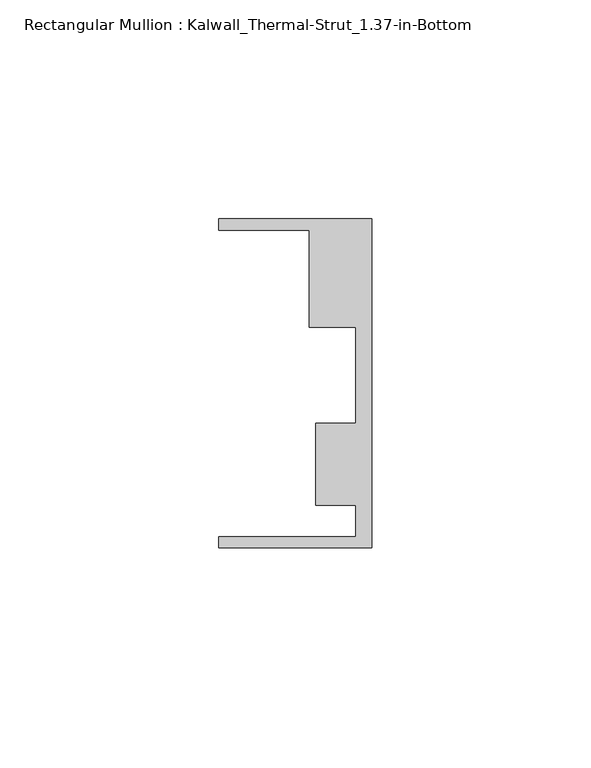
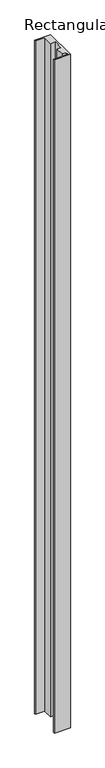
"""IFC4 building model written with IfcOpenShell, lengths in millimetres: member geometry, Rectangular Mullion : Kalwall_Thermal-Strut_1.37-in-Bottom."""

import ifcopenshell
import ifcopenshell.guid

model = None  # the IFC model being written
_history = None  # IfcOwnerHistory: only IFC2X3 demands one
_inside = {}  # id of a spatial element -> (the spatial element, [elements in it])
_under = {}  # id of a project, library or spatial element -> (it, [spatial elements below it])
_declared = {}  # id of a project -> (the project, [libraries it declares])
_typed = {}  # id of a type object -> (the type object, [elements of that type])
_made_of = {}  # id of a material, layer set ... -> (it, [elements and type objects made of it])


def new_model(schema):
    """Start an empty IFC model of exactly this schema.

    Asked for "IFC4X3", IfcOpenShell would pick the latest addendum, in which some entities
    have other attributes; the version numbers below select the first issue.
    IFC2X3 requires an IfcOwnerHistory on every rooted entity: one is made here for all.
    """
    global model, _history
    if schema == "IFC4X3":
        model = ifcopenshell.file(schema_version=(4, 3, 0, 0))
    else:
        model = ifcopenshell.file(schema=schema)
    _inside.clear()
    _under.clear()
    _declared.clear()
    _typed.clear()
    _made_of.clear()
    _history = None
    if model.schema == "IFC2X3":
        org = make("IfcOrganization", Name="unknown")
        user = make(
            "IfcPersonAndOrganization",
            ThePerson=make("IfcPerson", FamilyName="unknown"),
            TheOrganization=org,
        )
        app = make(
            "IfcApplication",
            ApplicationDeveloper=org,
            Version="unknown",
            ApplicationFullName="unknown",
            ApplicationIdentifier="unknown",
        )
        _history = make(
            "IfcOwnerHistory",
            OwningUser=user,
            OwningApplication=app,
            ChangeAction="ADDED",
            CreationDate=0,
        )
    return model


def make(cls, **values):
    """One entity of the class cls with the attributes given. An attribute that is None is left unset."""
    return model.create_entity(
        cls, **{name: value for name, value in values.items() if value is not None}
    )


def rooted(cls, **values):
    """An entity with a GlobalId (a new one), such as an element, a storey or a relation."""
    return make(cls, GlobalId=ifcopenshell.guid.new(), OwnerHistory=_history, **values)


def si_unit(unit_type, name, prefix=None):
    """IfcSIUnit, for example si_unit("LENGTHUNIT", "METRE", prefix="MILLI")."""
    return make("IfcSIUnit", UnitType=unit_type, Prefix=prefix, Name=name)


def assignment(units):
    """IfcUnitAssignment: the units of a project."""
    return None if units is None else make("IfcUnitAssignment", Units=units)


def point(xyz):
    """IfcCartesianPoint."""
    return None if xyz is None else make("IfcCartesianPoint", Coordinates=xyz)


def direction(xyz):
    """IfcDirection."""
    return None if xyz is None else make("IfcDirection", DirectionRatios=xyz)


def frame(location, z_axis=None, x_axis=None):
    """IfcAxis2Placement3D, a coordinate frame: its origin and axes. An axis left out is left unset."""
    return make(
        "IfcAxis2Placement3D",
        Location=point(location),
        Axis=direction(z_axis),
        RefDirection=direction(x_axis),
    )


def origin():
    """The frame at (0, 0, 0) with its axes left unset."""
    return frame((0.0, 0.0, 0.0))


def place(relative_to, where):
    """IfcLocalPlacement: puts the frame where relative to a parent placement (None: the world)."""
    return make(
        "IfcLocalPlacement", PlacementRelTo=relative_to, RelativePlacement=where
    )


def context(
    kind, dimensions, precision=None, world=None, true_north=None, identifier=None
):
    """IfcGeometricRepresentationContext, for example the 3D "Model" context."""
    return make(
        "IfcGeometricRepresentationContext",
        ContextIdentifier=identifier,
        ContextType=kind,
        CoordinateSpaceDimension=dimensions,
        Precision=precision,
        WorldCoordinateSystem=world,
        TrueNorth=true_north,
    )


def project(units=None, contexts=None):
    """IfcProject with its units and contexts."""
    return rooted(
        "IfcProject",
        Name="project",
        RepresentationContexts=contexts,
        UnitsInContext=assignment(units),
    )


def spatial(cls, under=None, at=None, **own):
    """A site, building, storey or space (cls), placed at a placement, below another one or the project."""
    s = rooted(cls, ObjectPlacement=at, **own)
    if under is not None:
        _under.setdefault(under.id(), (under, []))[1].append(s)
    return s


def polyline(points):
    """IfcPolyline through the points."""
    return make("IfcPolyline", Points=[point(p) for p in points])


def outline(outer, holes=None, kind="AREA"):
    """IfcArbitraryClosedProfileDef: a profile drawn as a closed curve; with holes, ...WithVoids."""
    if holes is None:
        return make("IfcArbitraryClosedProfileDef", ProfileType=kind, OuterCurve=outer)
    return make(
        "IfcArbitraryProfileDefWithVoids",
        ProfileType=kind,
        OuterCurve=outer,
        InnerCurves=holes,
    )


def extrude(swept, where, along, depth):
    """IfcExtrudedAreaSolid: the profile swept, set in the frame where, extruded along a direction by depth."""
    return make(
        "IfcExtrudedAreaSolid",
        SweptArea=swept,
        Position=where,
        ExtrudedDirection=direction(along),
        Depth=depth,
    )


def shape(context_of_items, identifier, shape_type, items):
    """IfcShapeRepresentation: the items that make up one representation, for example the "Body"."""
    return make(
        "IfcShapeRepresentation",
        ContextOfItems=context_of_items,
        RepresentationIdentifier=identifier,
        RepresentationType=shape_type,
        Items=items,
    )


def source(mapping_origin, context_of_items, identifier, shape_type, items):
    """IfcRepresentationMap: a shape defined once, which mapped items show again and again."""
    return make(
        "IfcRepresentationMap",
        MappingOrigin=mapping_origin,
        MappedRepresentation=shape(context_of_items, identifier, shape_type, items),
    )


def transform(
    local_origin,
    x_axis=None,
    y_axis=None,
    z_axis=None,
    scale=None,
    scale2=None,
    scale3=None,
    uniform=True,
):
    """IfcCartesianTransformationOperator3D, or its non-uniform kind. x_axis, y_axis, z_axis: its Axis1, 2, 3."""
    if uniform:
        return make(
            "IfcCartesianTransformationOperator3D",
            Axis1=direction(x_axis),
            Axis2=direction(y_axis),
            LocalOrigin=point(local_origin),
            Scale=scale,
            Axis3=direction(z_axis),
        )
    return make(
        "IfcCartesianTransformationOperator3DnonUniform",
        Axis1=direction(x_axis),
        Axis2=direction(y_axis),
        LocalOrigin=point(local_origin),
        Scale=scale,
        Axis3=direction(z_axis),
        Scale2=scale2,
        Scale3=scale3,
    )


def mapped(mapping_source, mapping_target):
    """IfcMappedItem: shows the shape of a source again, moved by a transform."""
    return make(
        "IfcMappedItem", MappingSource=mapping_source, MappingTarget=mapping_target
    )


def made_of(thing, what):
    """Note that an element or type object is made of a material, layer set ...; save() writes the relation."""
    if what is not None:
        _made_of.setdefault(what.id(), (what, []))[1].append(thing)
    return thing


def element(
    cls,
    number,
    at=None,
    inside=None,
    cuts=None,
    type_object=None,
    material=None,
    context=None,
    identifier="Body",
    shape_type=None,
    held_by="IfcProductDefinitionShape",
    body=None,
    shapes=None,
    **own,
):
    """One element of the class cls, such as IfcWall. Its Tag is "e" and its number.

    at: its placement. inside: the storey or other place that contains it. cuts: it is an
    opening in that element (IfcRelVoidsElement). A single representation is given by context,
    identifier, shape_type and body (its items); several are given by shapes. held_by: the class
    of the entity that holds the representations. save() writes the other relations.
    """
    e = rooted(cls, Tag="e%d" % number, ObjectPlacement=at, **own)
    if body is not None:
        shapes = [shape(context, identifier, shape_type, body)]
    if shapes is not None:
        e.Representation = make(held_by, Representations=shapes)
    if inside is not None:
        _inside.setdefault(inside.id(), (inside, []))[1].append(e)
    if cuts is not None:
        rooted(
            "IfcRelVoidsElement", RelatingBuildingElement=cuts, RelatedOpeningElement=e
        )
    if type_object is not None:
        _typed.setdefault(type_object.id(), (type_object, []))[1].append(e)
    return made_of(e, material)


def aggregate(whole, parts):
    """IfcRelAggregates: a whole, such as a stair, and the parts it consists of."""
    return rooted("IfcRelAggregates", RelatingObject=whole, RelatedObjects=parts)


def save(model, path):
    """Write the relations noted so far, then the file.

    IfcRelAggregates (storeys below a building ...), IfcRelContainedInSpatialStructure (elements
    in a storey), IfcRelDefinesByType, IfcRelAssociatesMaterial and IfcRelDeclares: one each for
    every whole, place, type object, material and project.
    """
    for whole, parts in _under.values():
        aggregate(whole, parts)
    for where, things in _inside.values():
        rooted(
            "IfcRelContainedInSpatialStructure",
            RelatedElements=things,
            RelatingStructure=where,
        )
    for kind, things in _typed.values():
        rooted("IfcRelDefinesByType", RelatedObjects=things, RelatingType=kind)
    for what, things in _made_of.values():
        rooted("IfcRelAssociatesMaterial", RelatedObjects=things, RelatingMaterial=what)
    for by, libraries in _declared.values():
        rooted("IfcRelDeclares", RelatingContext=by, RelatedDefinitions=libraries)
    model.write(path)


def rectangular_mullion_kalwall_thermal_strut_1_37_in_bottom_f0542d46(model_context):
    return source(origin(), model_context, "Body", "SweptSolid", [
        extrude(outline(polyline([(0.0, -37.5776386), (-34.925, -37.5776386), (-34.925, -35.0376386), (-3.7084, -35.0376386), (-3.7084, -27.8888568), (-12.8272539, -27.8888568), (-12.8272539, -9.1879886), (-3.7084, -9.1879886), (-3.7084, 12.7373614), (-14.2875, 12.7373614), (-14.2875, 34.9623614), (-34.925, 34.9623614), (-34.925, 37.5023614), (0.0, 37.5023614), (0.0, -37.5776386)])), frame((0.0, 0.0, -1565.502), z_axis=(0.0, 0.0, 1.0), x_axis=(1.0, 0.0, 0.0)), (0.0, 0.0, 1.0), 1565.502),
    ])


if __name__ == "__main__":
    model = new_model("IFC4")
    model_context = context("Model", 3, world=origin())
    ifc_project = project(units=[si_unit("LENGTHUNIT", "METRE", prefix="MILLI")], contexts=[model_context])
    site = spatial("IfcSite", under=ifc_project)
    building = spatial("IfcBuilding", under=site)
    placement = place(None, origin())
    rectangular_mullion_kalwall_thermal_strut_1_37_in_bottom_shape = rectangular_mullion_kalwall_thermal_strut_1_37_in_bottom_f0542d46(model_context)
    element("IfcMember", 1, ObjectType="Rectangular Mullion : Kalwall_Thermal-Strut_1.37-in-Bottom", at=placement, inside=building, context=model_context, shape_type="MappedRepresentation", body=[
        mapped(rectangular_mullion_kalwall_thermal_strut_1_37_in_bottom_shape, transform((0.0, 0.0, 0.0), x_axis=(1.0, 0.0, 0.0), y_axis=(0.0, 1.0, 0.0), z_axis=(0.0, 0.0, 1.0))),
    ])
    save(model, "model.ifc")
